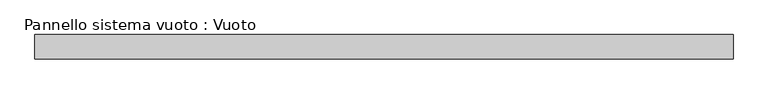
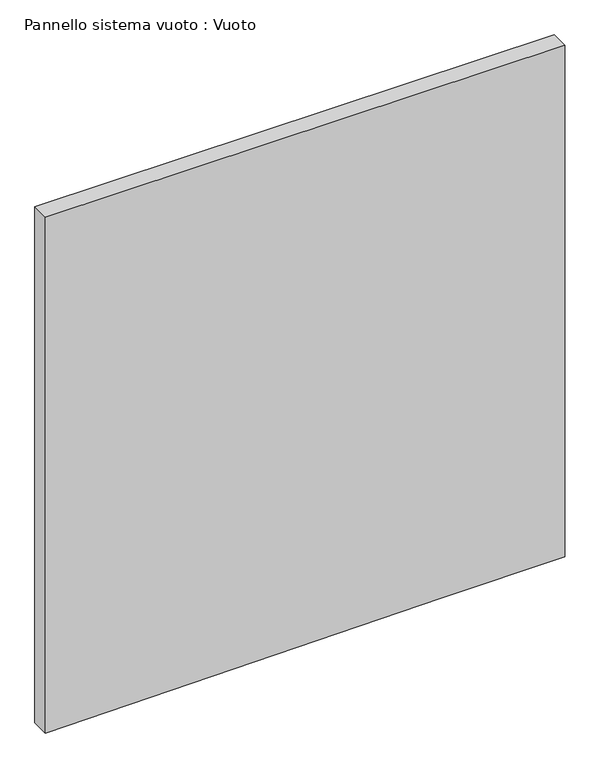
"""IFC4 building model written with IfcOpenShell, lengths in millimetres: plate geometry, Pannello sistema vuoto : Vuoto."""

from ifc_helpers import new_model, si_unit, frame, origin, place, context, project, spatial, polyline, outline, extrude, source, transform, mapped, element, save


def pannello_sistema_vuoto_vuoto_67dfb22e(model_context):
    return source(origin(), model_context, "Body", "SweptSolid", [
        extrude(outline(polyline([(0.0, -1440.0), (22.225885, 759.56667), (24.5039488, 1440.0), (3023.8906146, 1440.0), (3023.8906146, -1440.0), (0.0, -1440.0)])), frame((0.0, 50.0, 0.0), z_axis=(0.0, 1.0, 0.0), x_axis=(0.0, 0.0, 1.0)), (0.0, 0.0, 1.0), 100.0),
    ])


if __name__ == "__main__":
    model = new_model("IFC4")
    model_context = context("Model", 3, world=origin())
    ifc_project = project(units=[si_unit("LENGTHUNIT", "METRE", prefix="MILLI")], contexts=[model_context])
    site = spatial("IfcSite", under=ifc_project)
    building = spatial("IfcBuilding", under=site)
    placement = place(None, origin())
    pannello_sistema_vuoto_vuoto_shape = pannello_sistema_vuoto_vuoto_67dfb22e(model_context)
    element("IfcPlate", 1, ObjectType="Pannello sistema vuoto : Vuoto", at=placement, inside=building, context=model_context, shape_type="MappedRepresentation", body=[
        mapped(pannello_sistema_vuoto_vuoto_shape, transform((0.0, 0.0, 0.0), x_axis=(1.0, 0.0, 0.0), y_axis=(0.0, 1.0, 0.0), z_axis=(0.0, 0.0, 1.0))),
    ])
    save(model, "model.ifc")
